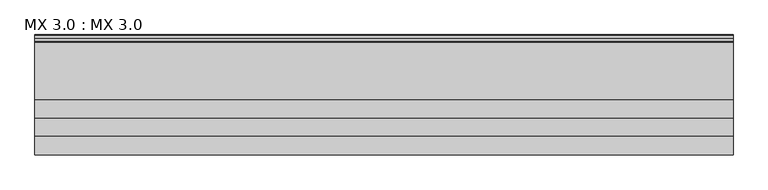
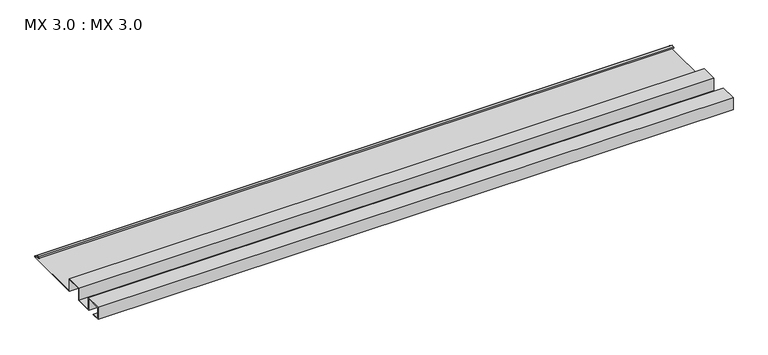
"""IFC4 building model written with IfcOpenShell, lengths in millimetres: proxy geometry, MX 3.0 : MX 3.0."""

import ifcopenshell
import ifcopenshell.guid

model = None  # the IFC model being written
_history = None  # IfcOwnerHistory: only IFC2X3 demands one
_inside = {}  # id of a spatial element -> (the spatial element, [elements in it])
_under = {}  # id of a project, library or spatial element -> (it, [spatial elements below it])
_declared = {}  # id of a project -> (the project, [libraries it declares])
_typed = {}  # id of a type object -> (the type object, [elements of that type])
_made_of = {}  # id of a material, layer set ... -> (it, [elements and type objects made of it])


def new_model(schema):
    """Start an empty IFC model of exactly this schema.

    Asked for "IFC4X3", IfcOpenShell would pick the latest addendum, in which some entities
    have other attributes; the version numbers below select the first issue.
    IFC2X3 requires an IfcOwnerHistory on every rooted entity: one is made here for all.
    """
    global model, _history
    if schema == "IFC4X3":
        model = ifcopenshell.file(schema_version=(4, 3, 0, 0))
    else:
        model = ifcopenshell.file(schema=schema)
    _inside.clear()
    _under.clear()
    _declared.clear()
    _typed.clear()
    _made_of.clear()
    _history = None
    if model.schema == "IFC2X3":
        org = make("IfcOrganization", Name="unknown")
        user = make(
            "IfcPersonAndOrganization",
            ThePerson=make("IfcPerson", FamilyName="unknown"),
            TheOrganization=org,
        )
        app = make(
            "IfcApplication",
            ApplicationDeveloper=org,
            Version="unknown",
            ApplicationFullName="unknown",
            ApplicationIdentifier="unknown",
        )
        _history = make(
            "IfcOwnerHistory",
            OwningUser=user,
            OwningApplication=app,
            ChangeAction="ADDED",
            CreationDate=0,
        )
    return model


def make(cls, **values):
    """One entity of the class cls with the attributes given. An attribute that is None is left unset."""
    return model.create_entity(
        cls, **{name: value for name, value in values.items() if value is not None}
    )


def rooted(cls, **values):
    """An entity with a GlobalId (a new one), such as an element, a storey or a relation."""
    return make(cls, GlobalId=ifcopenshell.guid.new(), OwnerHistory=_history, **values)


def si_unit(unit_type, name, prefix=None):
    """IfcSIUnit, for example si_unit("LENGTHUNIT", "METRE", prefix="MILLI")."""
    return make("IfcSIUnit", UnitType=unit_type, Prefix=prefix, Name=name)


def assignment(units):
    """IfcUnitAssignment: the units of a project."""
    return None if units is None else make("IfcUnitAssignment", Units=units)


def point(xyz):
    """IfcCartesianPoint."""
    return None if xyz is None else make("IfcCartesianPoint", Coordinates=xyz)


def direction(xyz):
    """IfcDirection."""
    return None if xyz is None else make("IfcDirection", DirectionRatios=xyz)


def frame(location, z_axis=None, x_axis=None):
    """IfcAxis2Placement3D, a coordinate frame: its origin and axes. An axis left out is left unset."""
    return make(
        "IfcAxis2Placement3D",
        Location=point(location),
        Axis=direction(z_axis),
        RefDirection=direction(x_axis),
    )


def frame_2d(location, x_axis=None):
    """IfcAxis2Placement2D, a coordinate frame in the plane: its origin and x axis."""
    return make(
        "IfcAxis2Placement2D", Location=point(location), RefDirection=direction(x_axis)
    )


def origin():
    """The frame at (0, 0, 0) with its axes left unset."""
    return frame((0.0, 0.0, 0.0))


def place(relative_to, where):
    """IfcLocalPlacement: puts the frame where relative to a parent placement (None: the world)."""
    return make(
        "IfcLocalPlacement", PlacementRelTo=relative_to, RelativePlacement=where
    )


def context(
    kind, dimensions, precision=None, world=None, true_north=None, identifier=None
):
    """IfcGeometricRepresentationContext, for example the 3D "Model" context."""
    return make(
        "IfcGeometricRepresentationContext",
        ContextIdentifier=identifier,
        ContextType=kind,
        CoordinateSpaceDimension=dimensions,
        Precision=precision,
        WorldCoordinateSystem=world,
        TrueNorth=true_north,
    )


def project(units=None, contexts=None):
    """IfcProject with its units and contexts."""
    return rooted(
        "IfcProject",
        Name="project",
        RepresentationContexts=contexts,
        UnitsInContext=assignment(units),
    )


def spatial(cls, under=None, at=None, **own):
    """A site, building, storey or space (cls), placed at a placement, below another one or the project."""
    s = rooted(cls, ObjectPlacement=at, **own)
    if under is not None:
        _under.setdefault(under.id(), (under, []))[1].append(s)
    return s


def polyline(points):
    """IfcPolyline through the points."""
    return make("IfcPolyline", Points=[point(p) for p in points])


def circle_curve(where, radius):
    """IfcCircle in the frame where."""
    return make("IfcCircle", Position=where, Radius=radius)


def trimmed(basis, trim1, trim2, sense, master):
    """IfcTrimmedCurve: the piece of a basis curve between two trims."""
    return make(
        "IfcTrimmedCurve",
        BasisCurve=basis,
        Trim1=trim1,
        Trim2=trim2,
        SenseAgreement=sense,
        MasterRepresentation=master,
    )


def segment(curve, same_sense, transition):
    """IfcCompositeCurveSegment."""
    return make(
        "IfcCompositeCurveSegment",
        Transition=transition,
        SameSense=same_sense,
        ParentCurve=curve,
    )


def composite_curve(segments, self_intersect=None):
    """IfcCompositeCurve: segments joined end to end."""
    return make("IfcCompositeCurve", Segments=segments, SelfIntersect=self_intersect)


def outline(outer, holes=None, kind="AREA"):
    """IfcArbitraryClosedProfileDef: a profile drawn as a closed curve; with holes, ...WithVoids."""
    if holes is None:
        return make("IfcArbitraryClosedProfileDef", ProfileType=kind, OuterCurve=outer)
    return make(
        "IfcArbitraryProfileDefWithVoids",
        ProfileType=kind,
        OuterCurve=outer,
        InnerCurves=holes,
    )


def extrude(swept, where, along, depth):
    """IfcExtrudedAreaSolid: the profile swept, set in the frame where, extruded along a direction by depth."""
    return make(
        "IfcExtrudedAreaSolid",
        SweptArea=swept,
        Position=where,
        ExtrudedDirection=direction(along),
        Depth=depth,
    )


def shape(context_of_items, identifier, shape_type, items):
    """IfcShapeRepresentation: the items that make up one representation, for example the "Body"."""
    return make(
        "IfcShapeRepresentation",
        ContextOfItems=context_of_items,
        RepresentationIdentifier=identifier,
        RepresentationType=shape_type,
        Items=items,
    )


def source(mapping_origin, context_of_items, identifier, shape_type, items):
    """IfcRepresentationMap: a shape defined once, which mapped items show again and again."""
    return make(
        "IfcRepresentationMap",
        MappingOrigin=mapping_origin,
        MappedRepresentation=shape(context_of_items, identifier, shape_type, items),
    )


def transform(
    local_origin,
    x_axis=None,
    y_axis=None,
    z_axis=None,
    scale=None,
    scale2=None,
    scale3=None,
    uniform=True,
):
    """IfcCartesianTransformationOperator3D, or its non-uniform kind. x_axis, y_axis, z_axis: its Axis1, 2, 3."""
    if uniform:
        return make(
            "IfcCartesianTransformationOperator3D",
            Axis1=direction(x_axis),
            Axis2=direction(y_axis),
            LocalOrigin=point(local_origin),
            Scale=scale,
            Axis3=direction(z_axis),
        )
    return make(
        "IfcCartesianTransformationOperator3DnonUniform",
        Axis1=direction(x_axis),
        Axis2=direction(y_axis),
        LocalOrigin=point(local_origin),
        Scale=scale,
        Axis3=direction(z_axis),
        Scale2=scale2,
        Scale3=scale3,
    )


def mapped(mapping_source, mapping_target):
    """IfcMappedItem: shows the shape of a source again, moved by a transform."""
    return make(
        "IfcMappedItem", MappingSource=mapping_source, MappingTarget=mapping_target
    )


def made_of(thing, what):
    """Note that an element or type object is made of a material, layer set ...; save() writes the relation."""
    if what is not None:
        _made_of.setdefault(what.id(), (what, []))[1].append(thing)
    return thing


def element(
    cls,
    number,
    at=None,
    inside=None,
    cuts=None,
    type_object=None,
    material=None,
    context=None,
    identifier="Body",
    shape_type=None,
    held_by="IfcProductDefinitionShape",
    body=None,
    shapes=None,
    **own,
):
    """One element of the class cls, such as IfcWall. Its Tag is "e" and its number.

    at: its placement. inside: the storey or other place that contains it. cuts: it is an
    opening in that element (IfcRelVoidsElement). A single representation is given by context,
    identifier, shape_type and body (its items); several are given by shapes. held_by: the class
    of the entity that holds the representations. save() writes the other relations.
    """
    e = rooted(cls, Tag="e%d" % number, ObjectPlacement=at, **own)
    if body is not None:
        shapes = [shape(context, identifier, shape_type, body)]
    if shapes is not None:
        e.Representation = make(held_by, Representations=shapes)
    if inside is not None:
        _inside.setdefault(inside.id(), (inside, []))[1].append(e)
    if cuts is not None:
        rooted(
            "IfcRelVoidsElement", RelatingBuildingElement=cuts, RelatedOpeningElement=e
        )
    if type_object is not None:
        _typed.setdefault(type_object.id(), (type_object, []))[1].append(e)
    return made_of(e, material)


def aggregate(whole, parts):
    """IfcRelAggregates: a whole, such as a stair, and the parts it consists of."""
    return rooted("IfcRelAggregates", RelatingObject=whole, RelatedObjects=parts)


def save(model, path):
    """Write the relations noted so far, then the file.

    IfcRelAggregates (storeys below a building ...), IfcRelContainedInSpatialStructure (elements
    in a storey), IfcRelDefinesByType, IfcRelAssociatesMaterial and IfcRelDeclares: one each for
    every whole, place, type object, material and project.
    """
    for whole, parts in _under.values():
        aggregate(whole, parts)
    for where, things in _inside.values():
        rooted(
            "IfcRelContainedInSpatialStructure",
            RelatedElements=things,
            RelatingStructure=where,
        )
    for kind, things in _typed.values():
        rooted("IfcRelDefinesByType", RelatedObjects=things, RelatingType=kind)
    for what, things in _made_of.values():
        rooted("IfcRelAssociatesMaterial", RelatedObjects=things, RelatingMaterial=what)
    for by, libraries in _declared.values():
        rooted("IfcRelDeclares", RelatingContext=by, RelatedDefinitions=libraries)
    model.write(path)


def mx_3_0_mx_3_0_f4fa5ddd(model_context):
    return source(origin(), model_context, "Body", "SweptSolid", [
        extrude(outline(composite_curve([segment(polyline([(0.0, 0.0), (0.0, 38.0), (50.0, 38.0), (50.0, 0.0), (100.0, 0.0), (100.0, 38.0), (150.0, 38.0), (150.0, 0.0), (325.0510156, 0.0)]), True, "CONTINUOUS"), segment(trimmed(circle_curve(frame_2d((324.3094696, 1.9153551)), 2.0538928), [point((325.0510156, 0.0))], [point((325.1748462, 3.778041))], True, "CARTESIAN"), True, "CONTINUOUS"), segment(polyline([(325.1748462, 3.778041), (308.7874714, 6.923107)]), True, "CONTINUOUS"), segment(trimmed(circle_curve(frame_2d((309.4078886, 8.6005442)), 1.7884947), [point((308.7874714, 6.923107))], [point((308.9525789, 10.3301125))], False, "CARTESIAN"), True, "CONTINUOUS"), segment(polyline([(308.9525789, 10.3301125), (316.459338, 11.6715995), (316.635255, 10.6871945), (309.1762081, 9.3542338)]), True, "CONTINUOUS"), segment(trimmed(circle_curve(frame_2d((309.4078886, 8.6005442)), 0.7884947), [point((309.1762081, 9.3542338))], [point((309.0735117, 7.8864603))], True, "CARTESIAN"), True, "CONTINUOUS"), segment(polyline([(309.0735117, 7.8864603), (325.4722719, 4.7392091)]), True, "CONTINUOUS"), segment(trimmed(circle_curve(frame_2d((324.3094696, 1.9153551)), 3.0538928), [point((325.4722719, 4.7392091))], [point((325.2188462, -1.0))], False, "CARTESIAN"), True, "CONTINUOUS"), segment(polyline([(325.2188462, -1.0), (149.0, -1.0), (149.0, 37.0), (101.0, 37.0), (101.0, -1.0), (49.0, -1.0), (49.0, 37.0), (1.0, 37.0), (1.0, 1.0), (25.0, 1.0), (25.0, 0.0), (0.0, 0.0)]), True, "CONTINUOUS")], self_intersect=False)), frame((0.0, 0.0, 0.0), z_axis=(1.0, 0.0, 0.0), x_axis=(0.0, 1.0, 0.0)), (0.0, 0.0, 1.0), 1900.0),
    ])


if __name__ == "__main__":
    model = new_model("IFC4")
    model_context = context("Model", 3, world=origin())
    ifc_project = project(units=[si_unit("LENGTHUNIT", "METRE", prefix="MILLI")], contexts=[model_context])
    site = spatial("IfcSite", under=ifc_project)
    building = spatial("IfcBuilding", under=site)
    placement = place(None, origin())
    mx_3_0_mx_3_0_shape = mx_3_0_mx_3_0_f4fa5ddd(model_context)
    element("IfcBuildingElementProxy", 1, Name="MX 3.0 : MX 3.0", ObjectType="MX 3.0 : MX 3.0", at=placement, inside=building, context=model_context, shape_type="MappedRepresentation", body=[
        mapped(mx_3_0_mx_3_0_shape, transform((0.0, 0.0, 0.0), x_axis=(1.0, 0.0, 0.0), y_axis=(0.0, 1.0, 0.0), z_axis=(0.0, 0.0, 1.0))),
    ])
    save(model, "model.ifc")
